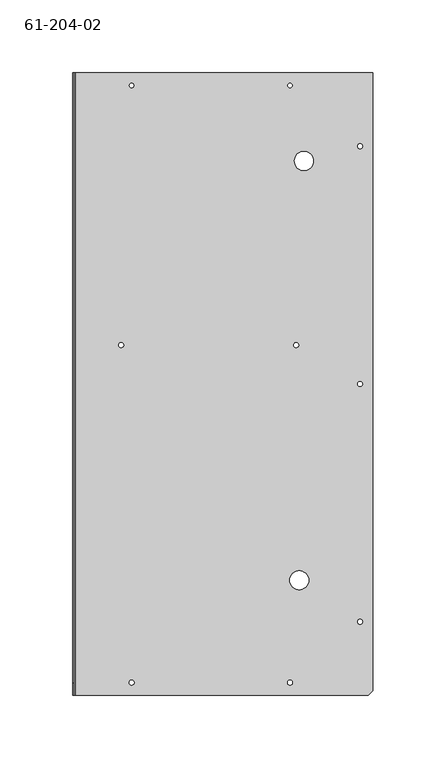
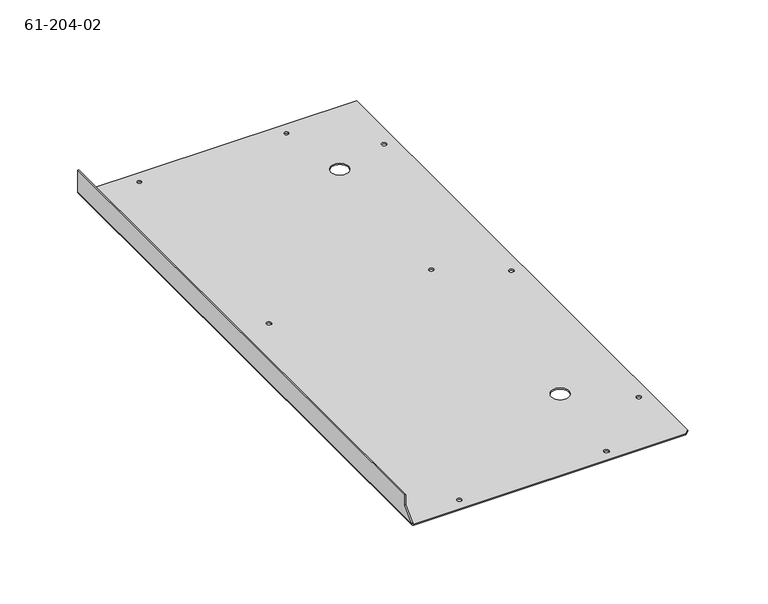
"""IFC4 building model written with IfcOpenShell, lengths in millimetres: proxy geometry, 61-204-02."""

from ifc_helpers import new_model, si_unit, frame, origin, place, context, project, spatial, polyline, circle_curve, source, transform, mapped, element, save
from ifc_brep_helpers import plane_surface, cylinder_surface, revolved_surface, advanced_brep


def proxy_61_204_02_b2360e96(model_context):
    return source(origin(), model_context, "Body", "AdvancedBrep", [
        advanced_brep(
        [(195.7329828, 215.0313127, 0.85344), (195.7329828, 215.0313127, 0.0), (199.1619828, 215.0313127, 0.0), (199.1619828, 215.0313127, 0.85344), (147.4729828, 9.3040127, 0.85344), (147.4729828, 9.3040127, 0.0), (150.9019828, 9.3040127, 0.0), (150.9019828, 9.3040127, 0.85344), (195.7329828, 378.8486127, 0.85344), (195.7329828, 378.8486127, 0.0), (199.1619828, 378.8486127, 0.0), (199.1619828, 378.8486127, 0.85344), (195.7329828, 51.2140127, 0.85344), (195.7329828, 51.2140127, 0.0), (199.1619828, 51.2140127, 0.0), (199.1619828, 51.2140127, 0.85344), (38.2936228, 9.3040127, 0.85344), (38.2936228, 9.3040127, 0.0), (41.7226228, 9.3040127, 0.0), (41.7226228, 9.3040127, 0.85344), (150.7114828, 420.7586127, 0.85344), (150.7114828, 420.7586127, 0.0), (147.6634828, 420.7586127, 0.0), (147.6634828, 420.7586127, 0.85344), (41.5321228, 420.7586127, 0.85344), (41.5321228, 420.7586127, 0.0), (38.4841228, 420.7586127, 0.0), (38.4841228, 420.7586127, 0.85344), (31.0876428, 241.816113, 0.85344), (31.0876428, 241.816113, 0.0), (34.5166428, 241.816113, 0.0), (34.5166428, 241.816113, 0.85344), (151.7376428, 241.816113, 0.85344), (151.7376428, 241.816113, 0.0), (155.1666428, 241.816113, 0.0), (155.1666428, 241.816113, 0.85344), (152.1719828, 368.7140127, 0.85344), (152.1719828, 368.7140127, 0.0), (165.2529828, 368.7140127, 0.0), (165.2529828, 368.7140127, 0.85344), (148.9969828, 79.7890127, 0.85344), (148.9969828, 79.7890127, 0.0), (162.0779828, 79.7890127, 0.0), (162.0779828, 79.7890127, 0.85344), (206.3374828, 3.5890127, 0.85344), (203.1624828, 0.4140127, 0.85344), (203.1624828, 0.4140127, 0.0), (206.3374828, 3.5890127, 0.0), (1.0445228, 0.4140127, 0.0), (1.0445228, 429.6486127, 0.0), (206.3374828, 429.6486127, 0.0), (1.0445228, 0.4140127, 0.85344), (-0.6623572, 9.0829408, 19.05), (-0.6623572, 9.0829408, 10.984544), (0.1910828, 9.0829408, 10.984544), (0.1910828, 9.0829408, 19.05), (-0.6623572, 0.4140127, 2.3103528), (0.1910828, 0.4140127, 2.3103528), (0.1910828, 429.6486127, 19.05), (-0.6623572, 429.6486127, 19.05), (0.1910828, 0.4140127, 1.70688), (0.1910828, 429.6486127, 1.70688), (-0.6623572, 0.4140127, 1.70688), (-0.6623572, 429.6486127, 1.70688), (1.0445228, 429.6486127, 0.85344), (206.3374828, 429.6486127, 0.85344)],
        [
            (0, 1),
            (1, 2, circle_curve(frame((197.4474828, 215.0313127, 0.0), z_axis=(0.0, 0.0, -1.0), x_axis=(-1.0, 0.0, 0.0)), 1.7145)),
            (2, 3),
            (3, 0, circle_curve(frame((197.4474828, 215.0313127, 0.85344), z_axis=(0.0, 0.0, 1.0), x_axis=(-1.0, 0.0, 0.0)), 1.7145)),
            (4, 5),
            (5, 6, circle_curve(frame((149.1874828, 9.3040127, 0.0), z_axis=(0.0, 0.0, -1.0), x_axis=(-1.0, 0.0, 0.0)), 1.7145)),
            (6, 7),
            (7, 4, circle_curve(frame((149.1874828, 9.3040127, 0.85344), z_axis=(0.0, 0.0, 1.0), x_axis=(-1.0, 0.0, 0.0)), 1.7145)),
            (8, 9),
            (9, 10, circle_curve(frame((197.4474828, 378.8486127, 0.0), z_axis=(0.0, 0.0, -1.0), x_axis=(-1.0, 0.0, 0.0)), 1.7145)),
            (10, 11),
            (11, 8, circle_curve(frame((197.4474828, 378.8486127, 0.85344), z_axis=(0.0, 0.0, 1.0), x_axis=(-1.0, 0.0, 0.0)), 1.7145)),
            (12, 13),
            (13, 14, circle_curve(frame((197.4474828, 51.2140127, 0.0), z_axis=(0.0, 0.0, -1.0), x_axis=(-1.0, 0.0, 0.0)), 1.7145)),
            (14, 15),
            (15, 12, circle_curve(frame((197.4474828, 51.2140127, 0.85344), z_axis=(0.0, 0.0, 1.0), x_axis=(-1.0, 0.0, 0.0)), 1.7145)),
            (16, 17),
            (17, 18, circle_curve(frame((40.0081228, 9.3040127, 0.0), z_axis=(0.0, 0.0, -1.0), x_axis=(-1.0, 0.0, 0.0)), 1.7145)),
            (18, 19),
            (19, 16, circle_curve(frame((40.0081228, 9.3040127, 0.85344), z_axis=(0.0, 0.0, 1.0), x_axis=(-1.0, 0.0, 0.0)), 1.7145)),
            (20, 21),
            (21, 22, circle_curve(frame((149.1874828, 420.7586127, 0.0), z_axis=(0.0, 0.0, -1.0), x_axis=(1.0, 0.0, 0.0)), 1.524)),
            (22, 23),
            (23, 20, circle_curve(frame((149.1874828, 420.7586127, 0.85344), z_axis=(0.0, 0.0, 1.0), x_axis=(1.0, 0.0, 0.0)), 1.524)),
            (24, 25),
            (25, 26, circle_curve(frame((40.0081228, 420.7586127, 0.0), z_axis=(0.0, 0.0, -1.0), x_axis=(1.0, 0.0, 0.0)), 1.524)),
            (26, 27),
            (27, 24, circle_curve(frame((40.0081228, 420.7586127, 0.85344), z_axis=(0.0, 0.0, 1.0), x_axis=(1.0, 0.0, 0.0)), 1.524)),
            (28, 29),
            (29, 30, circle_curve(frame((32.8021428, 241.816113, 0.0), z_axis=(0.0, 0.0, -1.0), x_axis=(-1.0, 0.0, 0.0)), 1.7145)),
            (30, 31),
            (31, 28, circle_curve(frame((32.8021428, 241.816113, 0.85344), z_axis=(0.0, 0.0, 1.0), x_axis=(-1.0, 0.0, 0.0)), 1.7145)),
            (32, 33),
            (33, 34, circle_curve(frame((153.4521428, 241.816113, 0.0), z_axis=(0.0, 0.0, -1.0), x_axis=(-1.0, 0.0, 0.0)), 1.7145)),
            (34, 35),
            (35, 32, circle_curve(frame((153.4521428, 241.816113, 0.85344), z_axis=(0.0, 0.0, 1.0), x_axis=(-1.0, 0.0, 0.0)), 1.7145)),
            (36, 37),
            (37, 38, circle_curve(frame((158.7124828, 368.7140127, 0.0), z_axis=(0.0, 0.0, -1.0), x_axis=(-1.0, 0.0, 0.0)), 6.5405)),
            (38, 39),
            (39, 36, circle_curve(frame((158.7124828, 368.7140127, 0.85344), z_axis=(0.0, 0.0, 1.0), x_axis=(-1.0, 0.0, 0.0)), 6.5405)),
            (40, 41),
            (41, 42, circle_curve(frame((155.5374828, 79.7890127, 0.0), z_axis=(0.0, 0.0, -1.0), x_axis=(-1.0, 0.0, 0.0)), 6.5405)),
            (42, 43),
            (43, 40, circle_curve(frame((155.5374828, 79.7890127, 0.85344), z_axis=(0.0, 0.0, 1.0), x_axis=(-1.0, 0.0, 0.0)), 6.5405)),
            (40, 43, circle_curve(frame((155.5374828, 79.7890127, 0.85344), z_axis=(0.0, 0.0, 1.0), x_axis=(-1.0, 0.0, 0.0)), 6.5405)),
            (42, 41, circle_curve(frame((155.5374828, 79.7890127, 0.0), z_axis=(0.0, 0.0, -1.0), x_axis=(-1.0, 0.0, 0.0)), 6.5405)),
            (36, 39, circle_curve(frame((158.7124828, 368.7140127, 0.85344), z_axis=(0.0, 0.0, 1.0), x_axis=(-1.0, 0.0, 0.0)), 6.5405)),
            (38, 37, circle_curve(frame((158.7124828, 368.7140127, 0.0), z_axis=(0.0, 0.0, -1.0), x_axis=(-1.0, 0.0, 0.0)), 6.5405)),
            (44, 45),
            (45, 46),
            (46, 47),
            (47, 44),
            (46, 48),
            (48, 49),
            (49, 50),
            (50, 47),
            (21, 22, circle_curve(frame((149.1874828, 420.7586127, 0.0), z_axis=(0.0, 0.0, 1.0), x_axis=(1.0, 0.0, 0.0)), 1.524)),
            (25, 26, circle_curve(frame((40.0081228, 420.7586127, 0.0), z_axis=(0.0, 0.0, 1.0), x_axis=(1.0, 0.0, 0.0)), 1.524)),
            (1, 2, circle_curve(frame((197.4474828, 215.0313127, 0.0), z_axis=(0.0, 0.0, 1.0), x_axis=(-1.0, 0.0, 0.0)), 1.7145)),
            (5, 6, circle_curve(frame((149.1874828, 9.3040127, 0.0), z_axis=(0.0, 0.0, 1.0), x_axis=(-1.0, 0.0, 0.0)), 1.7145)),
            (9, 10, circle_curve(frame((197.4474828, 378.8486127, 0.0), z_axis=(0.0, 0.0, 1.0), x_axis=(-1.0, 0.0, 0.0)), 1.7145)),
            (13, 14, circle_curve(frame((197.4474828, 51.2140127, 0.0), z_axis=(0.0, 0.0, 1.0), x_axis=(-1.0, 0.0, 0.0)), 1.7145)),
            (17, 18, circle_curve(frame((40.0081228, 9.3040127, 0.0), z_axis=(0.0, 0.0, 1.0), x_axis=(-1.0, 0.0, 0.0)), 1.7145)),
            (29, 30, circle_curve(frame((32.8021428, 241.816113, 0.0), z_axis=(0.0, 0.0, 1.0), x_axis=(-1.0, 0.0, 0.0)), 1.7145)),
            (33, 34, circle_curve(frame((153.4521428, 241.816113, 0.0), z_axis=(0.0, 0.0, 1.0), x_axis=(-1.0, 0.0, 0.0)), 1.7145)),
            (45, 51),
            (51, 48),
            (32, 35, circle_curve(frame((153.4521428, 241.816113, 0.85344), z_axis=(0.0, 0.0, 1.0), x_axis=(-1.0, 0.0, 0.0)), 1.7145)),
            (28, 31, circle_curve(frame((32.8021428, 241.816113, 0.85344), z_axis=(0.0, 0.0, 1.0), x_axis=(-1.0, 0.0, 0.0)), 1.7145)),
            (24, 27, circle_curve(frame((40.0081228, 420.7586127, 0.85344), z_axis=(0.0, 0.0, 1.0), x_axis=(1.0, 0.0, 0.0)), 1.524)),
            (20, 23, circle_curve(frame((149.1874828, 420.7586127, 0.85344), z_axis=(0.0, 0.0, 1.0), x_axis=(1.0, 0.0, 0.0)), 1.524)),
            (52, 53),
            (53, 54),
            (54, 55),
            (55, 52),
            (53, 56),
            (56, 57),
            (57, 54),
            (55, 58),
            (58, 59),
            (59, 52),
            (57, 60),
            (60, 61),
            (61, 58),
            (16, 19, circle_curve(frame((40.0081228, 9.3040127, 0.85344), z_axis=(0.0, 0.0, 1.0), x_axis=(-1.0, 0.0, 0.0)), 1.7145)),
            (12, 15, circle_curve(frame((197.4474828, 51.2140127, 0.85344), z_axis=(0.0, 0.0, 1.0), x_axis=(-1.0, 0.0, 0.0)), 1.7145)),
            (8, 11, circle_curve(frame((197.4474828, 378.8486127, 0.85344), z_axis=(0.0, 0.0, 1.0), x_axis=(-1.0, 0.0, 0.0)), 1.7145)),
            (4, 7, circle_curve(frame((149.1874828, 9.3040127, 0.85344), z_axis=(0.0, 0.0, 1.0), x_axis=(-1.0, 0.0, 0.0)), 1.7145)),
            (0, 3, circle_curve(frame((197.4474828, 215.0313127, 0.85344), z_axis=(0.0, 0.0, 1.0), x_axis=(-1.0, 0.0, 0.0)), 1.7145)),
            (62, 63),
            (63, 49, circle_curve(frame((1.0445228, 429.6486127, 1.70688), z_axis=(0.0, -1.0, 0.0), x_axis=(0.0, 0.0, -1.0)), 1.70688)),
            (48, 62, circle_curve(frame((1.0445228, 0.4140127, 1.70688), z_axis=(0.0, 1.0, 0.0), x_axis=(0.0, 0.0, -1.0)), 1.70688)),
            (56, 62),
            (62, 60),
            (63, 61),
            (61, 64, circle_curve(frame((1.0445228, 429.6486127, 1.70688), z_axis=(0.0, -1.0, 0.0), x_axis=(0.0, 0.0, -1.0)), 0.85344)),
            (64, 49),
            (51, 60, circle_curve(frame((1.0445228, 0.4140127, 1.70688), z_axis=(0.0, 1.0, 0.0), x_axis=(0.0, 0.0, -1.0)), 0.85344)),
            (63, 59),
            (51, 64),
            (64, 65),
            (65, 50),
            (65, 44),
        ],
        [
            revolved_surface(polyline([(195.7329828, 215.0313127, 0.0), (195.7329828, 215.0313127, 0.85344)]), (197.4474828, 215.0313127, 0.42672), (0.0, 0.0, -1.0)),
            revolved_surface(polyline([(147.4729828, 9.3040127, 0.0), (147.4729828, 9.3040127, 0.85344)]), (149.1874828, 9.3040127, 0.42672), (0.0, 0.0, -1.0)),
            revolved_surface(polyline([(195.7329828, 378.8486127, 0.0), (195.7329828, 378.8486127, 0.85344)]), (197.4474828, 378.8486127, 0.42672), (0.0, 0.0, -1.0)),
            revolved_surface(polyline([(195.7329828, 51.2140127, 0.0), (195.7329828, 51.2140127, 0.85344)]), (197.4474828, 51.2140127, 0.42672), (0.0, 0.0, -1.0)),
            revolved_surface(polyline([(38.2936228, 9.3040127, 0.0), (38.2936228, 9.3040127, 0.85344)]), (40.0081228, 9.3040127, 0.42672), (0.0, 0.0, -1.0)),
            revolved_surface(polyline([(150.7114828, 420.7586127, 0.85344), (150.7114828, 420.7586127, 0.0)]), (149.1874828, 420.7586127, 0.0), (0.0, 0.0, 1.0)),
            revolved_surface(polyline([(41.5321228, 420.7586127, 0.85344), (41.5321228, 420.7586127, 0.0)]), (40.0081228, 420.7586127, 0.0), (0.0, 0.0, 1.0)),
            revolved_surface(polyline([(31.087642799999998, 241.816113, 0.0), (31.087642799999998, 241.816113, 0.85344)]), (32.8021428, 241.816113, 0.42672), (0.0, 0.0, -1.0)),
            revolved_surface(polyline([(151.7376428, 241.816113, 0.0), (151.7376428, 241.816113, 0.85344)]), (153.4521428, 241.816113, 0.42672), (0.0, 0.0, -1.0)),
            revolved_surface(polyline([(152.1719828, 368.7140127, 0.0), (152.1719828, 368.7140127, 0.85344)]), (158.7124828, 368.7140127, 0.42672), (0.0, 0.0, -1.0)),
            revolved_surface(polyline([(148.99698279999998, 79.7890127, 0.0), (148.99698279999998, 79.7890127, 0.85344)]), (155.5374828, 79.7890127, 0.42672), (0.0, 0.0, -1.0)),
            plane_surface(frame((204.7499828, 2.0015127, 0.0), z_axis=(0.7071067811865477, -0.7071067811865475, 0.0), x_axis=(0.0, 0.0, -1.0))),
            plane_surface(frame((103.2642828, 215.0313127, 0.0), z_axis=(0.0, 0.0, -1.0), x_axis=(1.0, 0.0, 0.0))),
            plane_surface(frame((206.3374828, 0.4140127, 0.0), z_axis=(0.0, -1.0, 0.0), x_axis=(0.0, 0.0, -1.0))),
            plane_surface(frame((-0.6623572, 9.0829408, 10.984544), z_axis=(0.0, -1.0, 0.0), x_axis=(0.0, 0.0, 1.0))),
            plane_surface(frame((-0.6623572, 0.4140127, 2.3103528), z_axis=(0.0, -0.707321335129363, 0.7068921621229192), x_axis=(0.0, 0.7068921621229192, 0.707321335129363))),
            plane_surface(frame((0.1910828, 429.6486127, 19.05), z_axis=(0.0, 0.0, 1.0), x_axis=(1.0, 0.0, 0.0))),
            plane_surface(frame((0.1910828, 215.0313127, 9.4132221), z_axis=(1.0, 0.0, 0.0), x_axis=(0.0, 0.0, -1.0))),
            cylinder_surface(frame((1.0445228, 215.0313127, 1.70688), z_axis=(0.0, 1.0, 0.0), x_axis=(0.0, 0.0, -1.0)), 1.70688),
            plane_surface(frame((0.1910828, 0.4140127, 1.70688), z_axis=(0.0, -1.0, 0.0), x_axis=(-1.0, 0.0, 0.0))),
            plane_surface(frame((0.1910828, 429.6486127, 1.70688), z_axis=(0.0, 1.0, 0.0), x_axis=(0.0, 0.0, 1.0))),
            plane_surface(frame((-0.6623572, 0.4140127, 1.70688), z_axis=(0.0, -1.0, 0.0), x_axis=(0.0, 0.0, -1.0))),
            plane_surface(frame((0.1910828, 429.6486127, 1.70688), z_axis=(0.0, 1.0, 0.0), x_axis=(1.0, 0.0, 0.0))),
            plane_surface(frame((-0.6623572, 215.0313127, 9.4132221), z_axis=(-1.0, 0.0, 0.0), x_axis=(0.0, 0.0, -1.0))),
            revolved_surface(polyline([(1.0445228, 429.6486127, 0.85344), (1.0445228, 0.4140127000000007, 0.85344)]), (1.0445228, 215.0313127, 1.70688), (0.0, 1.0, 0.0)),
            plane_surface(frame((0.1910828, 429.6486127, 0.0), z_axis=(0.0, 1.0, 0.0), x_axis=(0.0, 0.0, 1.0))),
            plane_surface(frame((206.3374828, 429.6486127, 0.0), z_axis=(1.0, 0.0, 0.0), x_axis=(0.0, 0.0, -1.0))),
            plane_surface(frame((103.2642828, 215.0313127, 0.85344), z_axis=(0.0, 0.0, 1.0), x_axis=(1.0, 0.0, 0.0))),
        ],
        [
            (0, [[1, 2, 3, 4]]),
            (1, [[5, 6, 7, 8]]),
            (2, [[9, 10, 11, 12]]),
            (3, [[13, 14, 15, 16]]),
            (4, [[17, 18, 19, 20]]),
            (5, [[21, 22, 23, 24]]),
            (6, [[25, 26, 27, 28]]),
            (7, [[29, 30, 31, 32]]),
            (8, [[33, 34, 35, 36]]),
            (9, [[37, 38, 39, 40]]),
            (10, [[41, 42, 43, 44]]),
            (10, [[-41, 45, -43, 46]]),
            (9, [[-37, 47, -39, 48]]),
            (11, [[49, 50, 51, 52]]),
            (12, [[-51, 53, 54, 55, 56], [-22, 57], [-26, 58], [-46, -42], [-48, -38], [59, -2], [60, -6], [61, -10], [62, -14], [63, -18], [64, -30], [65, -34]]),
            (13, [[-50, 66, 67, -53]]),
            (8, [[-33, 68, -35, -65]]),
            (7, [[-29, 69, -31, -64]]),
            (6, [[-25, 70, -27, -58]]),
            (5, [[-21, 71, -23, -57]]),
            (14, [[72, 73, 74, 75]]),
            (15, [[76, 77, 78, -73]]),
            (16, [[-75, 79, 80, 81]]),
            (17, [[-74, -78, 82, 83, 84, -79]]),
            (4, [[-17, 85, -19, -63]]),
            (3, [[-13, 86, -15, -62]]),
            (2, [[-9, 87, -11, -61]]),
            (1, [[-5, 88, -7, -60]]),
            (0, [[-1, 89, -3, -59]]),
            (18, [[90, 91, -54, 92]]),
            (19, [[-77, 93, 94, -82]]),
            (20, [[95, 96, 97, -91]]),
            (21, [[-94, -92, -67, 98]]),
            (22, [[-95, 99, -80, -84]]),
            (23, [[-72, -81, -99, -90, -93, -76]]),
            (24, [[-83, -98, 100, -96]]),
            (25, [[-97, 101, 102, -55]]),
            (26, [[-52, -56, -102, 103]]),
            (27, [[-49, -103, -101, -100, -66], [-4, -89], [-8, -88], [-12, -87], [-16, -86], [-20, -85], [-32, -69], [-36, -68], [-40, -47], [-44, -45], [-70, -28], [-71, -24]]),
        ],
    ),
    ])


if __name__ == "__main__":
    model = new_model("IFC4")
    model_context = context("Model", 3, world=origin())
    ifc_project = project(units=[si_unit("LENGTHUNIT", "METRE", prefix="MILLI")], contexts=[model_context])
    site = spatial("IfcSite", under=ifc_project)
    building = spatial("IfcBuilding", under=site)
    placement = place(None, origin())
    proxy_61_204_02_shape = proxy_61_204_02_b2360e96(model_context)
    element("IfcBuildingElementProxy", 1, Name="61-204-02", ObjectType="61-204-02", at=placement, inside=building, context=model_context, shape_type="MappedRepresentation", body=[
        mapped(proxy_61_204_02_shape, transform((0.0, 0.0, 0.0), x_axis=(1.0, 0.0, 0.0), y_axis=(0.0, 1.0, 0.0), z_axis=(0.0, 0.0, 1.0))),
    ])
    save(model, "model.ifc")
